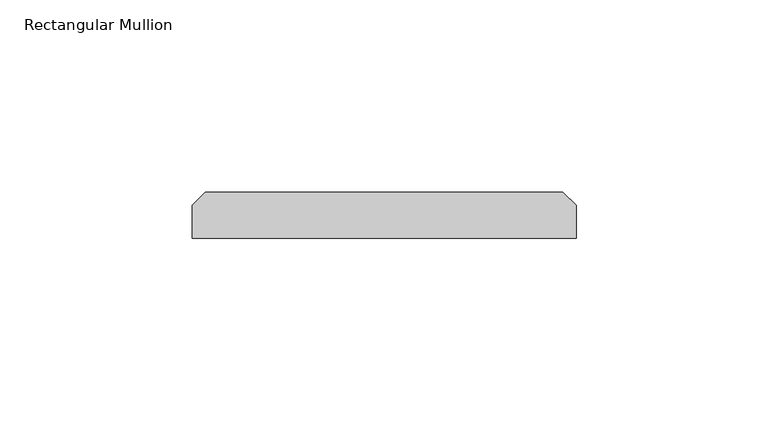
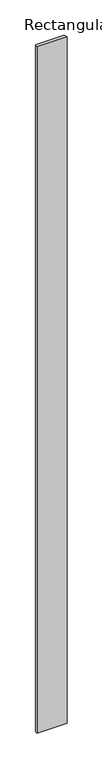
"""IFC4 building model written with IfcOpenShell, lengths in millimetres: member geometry, Rectangular Mullion."""

from ifc_helpers import new_model, si_unit, frame, origin, place, context, project, spatial, polyline, outline, extrude, source, transform, mapped, element, save


def rectangular_mullion_b4bae1c6(model_context):
    return source(origin(), model_context, "Body", "SweptSolid", [
        extrude(outline(polyline([(50.0, 0.0), (-50.0, 0.0), (-50.0, 8.5), (-46.5, 12.0), (46.5, 12.0), (50.0, 8.5), (50.0, 0.0)])), frame((0.0, 0.0, -2400.0), z_axis=(0.0, 0.0, 1.0), x_axis=(1.0, 0.0, 0.0)), (0.0, 0.0, 1.0), 2400.0),
    ])


if __name__ == "__main__":
    model = new_model("IFC4")
    model_context = context("Model", 3, world=origin())
    ifc_project = project(units=[si_unit("LENGTHUNIT", "METRE", prefix="MILLI")], contexts=[model_context])
    site = spatial("IfcSite", under=ifc_project)
    building = spatial("IfcBuilding", under=site)
    placement = place(None, origin())
    rectangular_mullion_shape = rectangular_mullion_b4bae1c6(model_context)
    element("IfcMember", 1, ObjectType="Rectangular Mullion", at=placement, inside=building, context=model_context, shape_type="MappedRepresentation", body=[
        mapped(rectangular_mullion_shape, transform((0.0, 0.0, 0.0), x_axis=(1.0, 0.0, 0.0), y_axis=(0.0, 1.0, 0.0), z_axis=(0.0, 0.0, 1.0))),
    ])
    save(model, "model.ifc")
